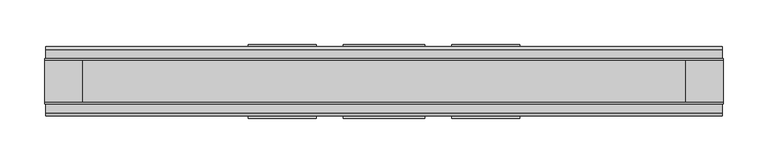
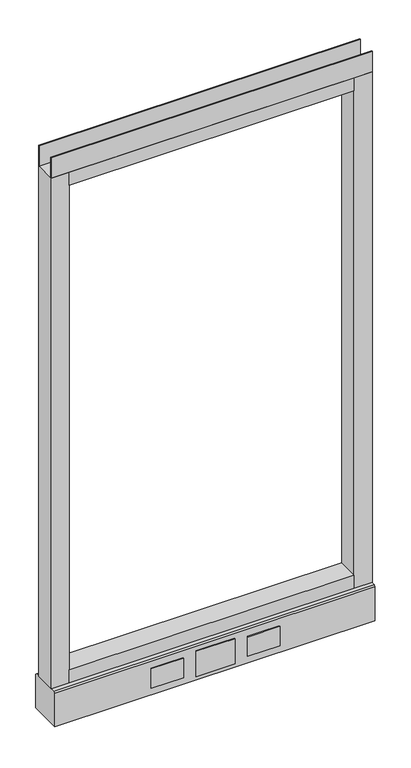
"""IFC4 building model written with IfcOpenShell, lengths in millimetres: furniture geometry."""

from ifc_helpers import new_model, si_unit, point, frame, frame_2d, origin, place, context, project, spatial, polyline, circle_curve, trimmed, segment, composite_curve, outline, extrude, source, transform, mapped, element, save
from ifc_brep_helpers import plane_surface, revolved_surface, advanced_brep


def furniture_85b13f73(model_context):
    return source(origin(), model_context, "Body", "SolidModel", [
        advanced_brep(
        [(311.15, 0.0, 6.35), (336.55, 0.0, 6.35), (304.8, 0.0, 0.0), (342.9, 0.0, 0.0)],
        [
            (0, 1, circle_curve(frame((323.85, 0.0, 6.35), z_axis=(0.0, 0.0, 1.0), x_axis=(-1.0, 0.0, 0.0)), 12.7)),
            (1, 0, circle_curve(frame((323.85, 0.0, 6.35), z_axis=(0.0, 0.0, 1.0), x_axis=(1.0, 0.0, 0.0)), 12.7)),
            (2, 3, circle_curve(frame((323.85, 0.0, 0.0), z_axis=(0.0, 0.0, -1.0), x_axis=(1.0, 0.0, 0.0)), 19.05)),
            (3, 2, circle_curve(frame((323.85, 0.0, 0.0), z_axis=(0.0, 0.0, -1.0), x_axis=(-1.0, 0.0, 0.0)), 19.05)),
            (3, 1),
            (0, 2),
        ],
        [
            plane_surface(frame((323.85, 0.0, 6.35), z_axis=(0.0, 0.0, 1.0), x_axis=(0.0, -1.0, 0.0))),
            plane_surface(frame((323.85, 0.0, 0.0), z_axis=(0.0, 0.0, -1.0), x_axis=(0.0, -1.0, 0.0))),
            revolved_surface(polyline([(311.15000000000003, 0.0, 6.35), (304.8, 0.0, 0.0)]), (323.85, 0.0, 19.05), (0.0, 0.0, -1.0)),
            revolved_surface(polyline([(336.55, 0.0, 6.35), (342.9, 0.0, 0.0)]), (323.85, 0.0, 19.05), (0.0, 0.0, -1.0)),
        ],
        [
            (0, [[1, 2]]),
            (1, [[3, 4]]),
            (2, [[-4, 5, -1, 6]]),
            (3, [[-3, -6, -2, -5]]),
        ],
    ),
        advanced_brep(
        [(-336.55, 0.0, 6.35), (-311.15, 0.0, 6.35), (-342.9, 0.0, 0.0), (-304.8, 0.0, 0.0)],
        [
            (0, 1, circle_curve(frame((-323.85, 0.0, 6.35), z_axis=(0.0, 0.0, 1.0), x_axis=(-1.0, 0.0, 0.0)), 12.7)),
            (1, 0, circle_curve(frame((-323.85, 0.0, 6.35), z_axis=(0.0, 0.0, 1.0), x_axis=(1.0, 0.0, 0.0)), 12.7)),
            (2, 3, circle_curve(frame((-323.85, 0.0, 0.0), z_axis=(0.0, 0.0, -1.0), x_axis=(1.0, 0.0, 0.0)), 19.05)),
            (3, 2, circle_curve(frame((-323.85, 0.0, 0.0), z_axis=(0.0, 0.0, -1.0), x_axis=(-1.0, 0.0, 0.0)), 19.05)),
            (3, 1),
            (0, 2),
        ],
        [
            plane_surface(frame((-323.85, 0.0, 6.35), z_axis=(0.0, 0.0, 1.0), x_axis=(0.0, -1.0, 0.0))),
            plane_surface(frame((-323.85, 0.0, 0.0), z_axis=(0.0, 0.0, -1.0), x_axis=(0.0, -1.0, 0.0))),
            revolved_surface(polyline([(-336.55, 0.0, 6.35), (-342.9, 0.0, 0.0)]), (-323.85, 0.0, 19.05), (0.0, 0.0, -1.0)),
            revolved_surface(polyline([(-311.15000000000003, 0.0, 6.35), (-304.8, 0.0, 0.0)]), (-323.85, 0.0, 19.05), (0.0, 0.0, -1.0)),
        ],
        [
            (0, [[1, 2]]),
            (1, [[3, 4]]),
            (2, [[-4, 5, -1, 6]]),
            (3, [[-3, -6, -2, -5]]),
        ],
    ),
        extrude(outline(polyline([(152.4, 39.0921875), (76.2, 39.0921875), (76.2, 41.4020035), (152.4, 41.4020035), (152.4, 39.0921875)])), frame((0.0, 0.0, 32.512), z_axis=(0.0, 0.0, 1.0), x_axis=(1.0, 0.0, 0.0)), (0.0, 0.0, 1.0), 48.26),
        extrude(outline(polyline([(45.7708, 39.0921875), (-45.7708, 39.0921875), (-45.7708, 41.4020035), (45.7708, 41.4020035), (45.7708, 39.0921875)])), frame((0.0, 0.0, 23.8125), z_axis=(0.0, 0.0, 1.0), x_axis=(1.0, 0.0, 0.0)), (0.0, 0.0, 1.0), 63.5),
        extrude(outline(polyline([(-76.2, 39.0921875), (-152.4, 39.0921875), (-152.4, 41.4020035), (-76.2, 41.4020035), (-76.2, 39.0921875)])), frame((0.0, 0.0, 32.512), z_axis=(0.0, 0.0, 1.0), x_axis=(1.0, 0.0, 0.0)), (0.0, 0.0, 1.0), 48.26),
        extrude(outline(polyline([(152.4, -41.4019923), (76.2, -41.4019923), (76.2, -39.0921875), (152.4, -39.0921875), (152.4, -41.4019923)])), frame((0.0, 0.0, 32.512), z_axis=(0.0, 0.0, 1.0), x_axis=(1.0, 0.0, 0.0)), (0.0, 0.0, 1.0), 48.26),
        extrude(outline(polyline([(-76.2, -41.4019923), (-152.4, -41.4019923), (-152.4, -39.0921875), (-76.2, -39.0921875), (-76.2, -41.4019923)])), frame((0.0, 0.0, 32.512), z_axis=(0.0, 0.0, 1.0), x_axis=(1.0, 0.0, 0.0)), (0.0, 0.0, 1.0), 48.26),
        extrude(outline(polyline([(45.7708, -41.4019923), (-45.7708, -41.4019923), (-45.7708, -39.0921875), (45.7708, -39.0921875), (45.7708, -41.4019923)])), frame((0.0, 0.0, 23.8125), z_axis=(0.0, 0.0, 1.0), x_axis=(1.0, 0.0, 0.0)), (0.0, 0.0, 1.0), 63.5),
        extrude(outline(polyline([(381.0, -23.8125), (381.0, -25.4), (-381.0, -25.4), (-381.0, -23.8125), (381.0, -23.8125)])), frame((0.0, 0.0, 1381.633), z_axis=(0.0, 0.0, 1.0), x_axis=(1.0, 0.0, 0.0)), (0.0, 0.0, 1.0), 51.435),
        extrude(outline(polyline([(381.0, 25.4), (381.0, 23.8125), (-381.0, 23.8125), (-381.0, 25.4), (381.0, 25.4)])), frame((0.0, 0.0, 1381.633), z_axis=(0.0, 0.0, 1.0), x_axis=(1.0, 0.0, 0.0)), (0.0, 0.0, 1.0), 51.435),
        extrude(outline(polyline([(338.1375, -25.4), (-338.1375, -25.4), (-338.1375, 25.4), (338.1375, 25.4), (338.1375, -25.4)])), frame((0.0, 0.0, 1348.74), z_axis=(0.0, 0.0, 1.0), x_axis=(1.0, 0.0, 0.0)), (0.0, 0.0, 1.0), 32.893),
        extrude(outline(polyline([(338.1375, -25.4), (-338.1375, -25.4), (-338.1375, 25.4), (338.1375, 25.4), (338.1375, -25.4)])), frame((0.0, 0.0, 101.6), z_axis=(0.0, 0.0, 1.0), x_axis=(1.0, 0.0, 0.0)), (0.0, 0.0, 1.0), 32.893),
        extrude(outline(composite_curve([segment(trimmed(circle_curve(frame_2d((-323.85, 0.0)), 5.55625), [point((-329.40625, 0.0))], [point((-318.29375, 0.0))], False, "CARTESIAN"), True, "CONTINUOUS"), segment(trimmed(circle_curve(frame_2d((-323.85, 0.0)), 5.55625), [point((-318.29375, 0.0))], [point((-329.40625, 0.0))], False, "CARTESIAN"), True, "CONTINUOUS")], self_intersect=False)), frame((0.0, 0.0, 6.35), z_axis=(0.0, 0.0, 1.0), x_axis=(1.0, 0.0, 0.0)), (0.0, 0.0, 1.0), 7.9375),
        extrude(outline(composite_curve([segment(trimmed(circle_curve(frame_2d((323.85, 0.0)), 5.55625), [point((318.29375, 0.0))], [point((329.40625, 0.0))], False, "CARTESIAN"), True, "CONTINUOUS"), segment(trimmed(circle_curve(frame_2d((323.85, 0.0)), 5.55625), [point((329.40625, 0.0))], [point((318.29375, 0.0))], False, "CARTESIAN"), True, "CONTINUOUS")], self_intersect=False)), frame((0.0, 0.0, 6.35), z_axis=(0.0, 0.0, 1.0), x_axis=(1.0, 0.0, 0.0)), (0.0, 0.0, 1.0), 7.9375),
        extrude(outline(polyline([(-338.1375, -25.4), (-381.0, -25.4), (-381.0, 25.4), (-338.1375, 25.4), (-338.1375, -25.4)])), frame((0.0, 0.0, 101.6), z_axis=(0.0, 0.0, 1.0), x_axis=(1.0, 0.0, 0.0)), (0.0, 0.0, 1.0), 1280.033),
        extrude(outline(polyline([(381.0, -25.4), (338.1375, -25.4), (338.1375, 25.4), (381.0, 25.4), (381.0, -25.4)])), frame((0.0, 0.0, 101.6), z_axis=(0.0, 0.0, 1.0), x_axis=(1.0, 0.0, 0.0)), (0.0, 0.0, 1.0), 1280.033),
        extrude(outline(polyline([(-35.9171875, 101.6), (35.9171875, 101.6), (39.0921875, 98.425), (39.0921875, 14.2875), (-39.0921875, 14.2875), (-39.0921875, 98.425), (-35.9171875, 101.6)])), frame((-379.857, 0.0, 0.0), z_axis=(1.0, 0.0, 0.0), x_axis=(0.0, 1.0, 0.0)), (0.0, 0.0, 1.0), 759.7140102),
    ])


if __name__ == "__main__":
    model = new_model("IFC4")
    model_context = context("Model", 3, world=origin())
    ifc_project = project(units=[si_unit("LENGTHUNIT", "METRE", prefix="MILLI")], contexts=[model_context])
    site = spatial("IfcSite", under=ifc_project)
    building = spatial("IfcBuilding", under=site)
    placement = place(None, origin())
    furniture_shape = furniture_85b13f73(model_context)
    element("IfcFurniture", 1, at=placement, inside=building, context=model_context, shape_type="MappedRepresentation", body=[
        mapped(furniture_shape, transform((0.0, 0.0, 0.0), x_axis=(1.0, 0.0, 0.0), y_axis=(0.0, 1.0, 0.0), z_axis=(0.0, 0.0, 1.0))),
    ])
    save(model, "model.ifc")
